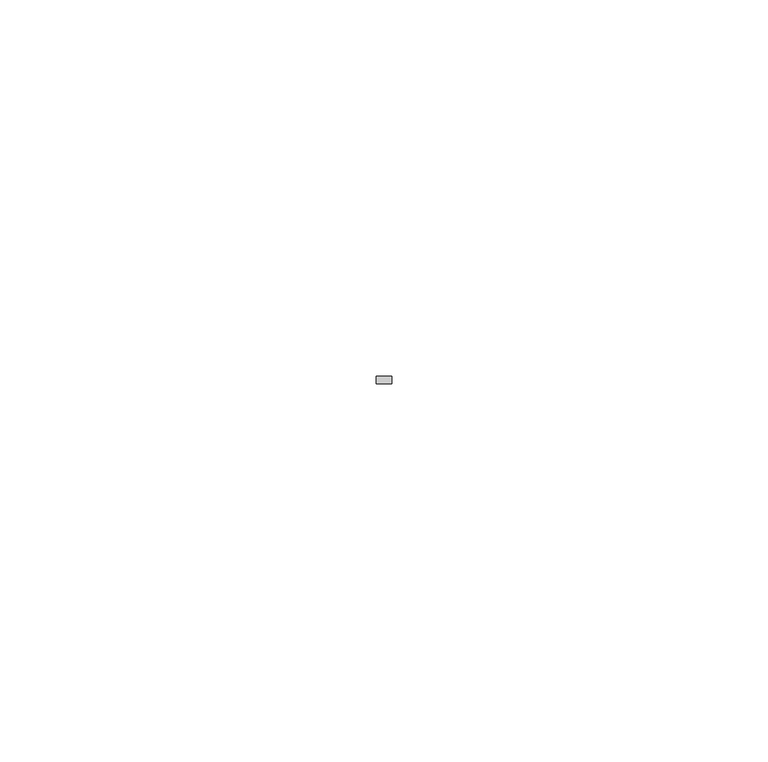
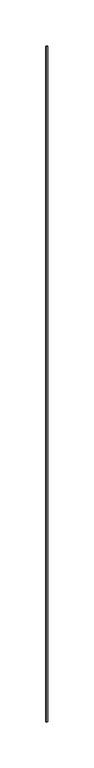
"""IFC4 building model written with IfcOpenShell, lengths in millimetres: member geometry."""

from ifc_helpers import new_model, si_unit, frame, origin, place, context, project, spatial, polyline, outline, extrude, source, transform, mapped, element, save


def member_622c03cf(model_context):
    return source(origin(), model_context, "Body", "SweptSolid", [
        extrude(outline(polyline([(0.0, -6.0), (0.0, -7.0), (-2.0, -7.0), (-2.0, -6.0), (0.0, -6.0)])), frame((0.0, 0.0, -900.0), z_axis=(0.0, 0.0, 1.0), x_axis=(1.0, 0.0, 0.0)), (0.0, 0.0, 1.0), 900.0),
    ])


if __name__ == "__main__":
    model = new_model("IFC4")
    model_context = context("Model", 3, world=origin())
    ifc_project = project(units=[si_unit("LENGTHUNIT", "METRE", prefix="MILLI")], contexts=[model_context])
    site = spatial("IfcSite", under=ifc_project)
    building = spatial("IfcBuilding", under=site)
    placement = place(None, origin())
    member_shape = member_622c03cf(model_context)
    element("IfcMember", 1, at=placement, inside=building, context=model_context, shape_type="MappedRepresentation", body=[
        mapped(member_shape, transform((0.0, 0.0, 0.0), x_axis=(1.0, 0.0, 0.0), y_axis=(0.0, 1.0, 0.0), z_axis=(0.0, 0.0, 1.0))),
    ])
    save(model, "model.ifc")
